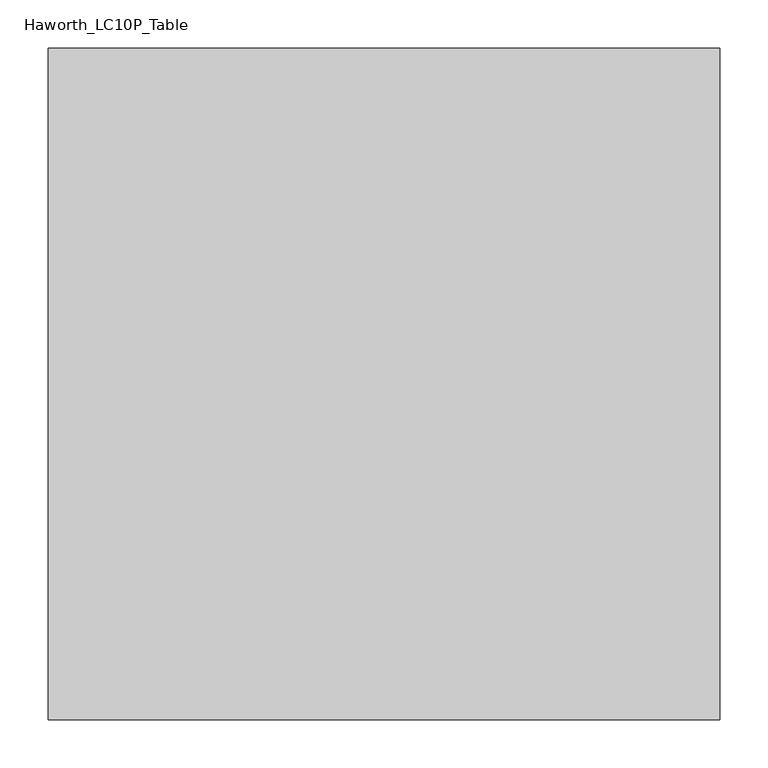
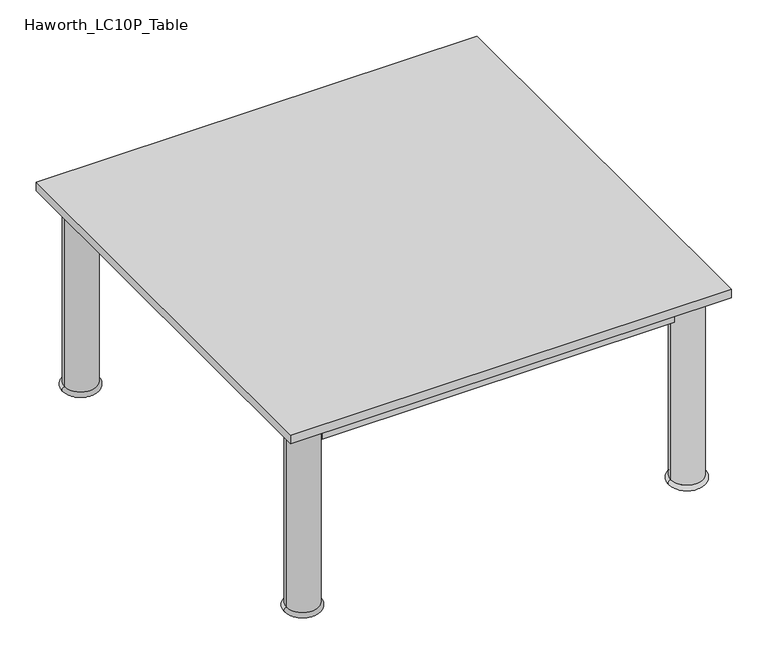
"""IFC4 building model written with IfcOpenShell, lengths in millimetres: furniture geometry, Haworth_LC10P_Table."""

from ifc_helpers import new_model, si_unit, point, frame, origin, place, context, project, spatial, polyline, circle_curve, ellipse_curve, trimmed, outline, extrude, source, transform, mapped, element, save
from ifc_brep_helpers import plane_surface, cylinder_surface, revolved_surface, advanced_brep


def haworth_lc10p_table_e52e0965(model_context):
    return source(origin(), model_context, "Body", "SolidModel", [
        extrude(outline(polyline([(279.4, -299.3049408), (279.4, -318.3549408), (-279.4, -318.3549408), (-279.4, -299.3049408), (279.4, -299.3049408)])), frame((0.0, 0.0, 277.8125), z_axis=(0.0, 0.0, 1.0), x_axis=(1.0, 0.0, 0.0)), (0.0, 0.0, 1.0), 33.3375),
        extrude(outline(polyline([(279.4, 310.2950592), (279.4, 291.2450592), (-279.4, 291.2450592), (-279.4, 310.2950592), (279.4, 310.2950592)])), frame((0.0, 0.0, 277.8125), z_axis=(0.0, 0.0, 1.0), x_axis=(1.0, 0.0, 0.0)), (0.0, 0.0, 1.0), 33.3375),
        extrude(outline(polyline([(-295.275, 275.3700592), (-295.275, -283.4299408), (-314.325, -283.4299408), (-314.325, 275.3700592), (-295.275, 275.3700592)])), frame((0.0, 0.0, 277.8125), z_axis=(0.0, 0.0, 1.0), x_axis=(1.0, 0.0, 0.0)), (0.0, 0.0, 1.0), 33.3375),
        extrude(outline(polyline([(314.325, 275.3700592), (314.325, -283.4299408), (295.275, -283.4299408), (295.275, 275.3700592), (314.325, 275.3700592)])), frame((0.0, 0.0, 277.8125), z_axis=(0.0, 0.0, 1.0), x_axis=(1.0, 0.0, 0.0)), (0.0, 0.0, 1.0), 33.3375),
        advanced_brep(
        [(279.4, 300.7700592, 0.0), (330.2, 300.7700592, 0.0), (330.2, 300.7700592, 7.9375), (279.4, 300.7700592, 7.9375), (330.2, 300.7700592, 311.15), (279.4, 300.7700592, 311.15), (330.2, 300.7700592, 315.9125), (279.4, 300.7700592, 315.9125), (304.8, 300.7700592, 315.9125), (304.8, 300.7700592, 0.0)],
        [
            (0, 1, circle_curve(frame((304.8, 300.7700592, 0.0), z_axis=(0.0, 0.0, 1.0), x_axis=(1.0, 0.0, 0.0)), 25.4)),
            (1, 2, circle_curve(frame((330.2, 300.7700592, 3.96875), z_axis=(0.0, -1.0, 0.0), x_axis=(-1.0, 0.0, 0.0)), 3.96875)),
            (2, 3, circle_curve(frame((304.8, 300.7700592, 7.9375), z_axis=(0.0, 0.0, -1.0), x_axis=(1.0, 0.0, 0.0)), 25.4)),
            (3, 0, circle_curve(frame((279.4, 300.7700592, 3.96875), z_axis=(0.0, -1.0, 0.0), x_axis=(1.0, 0.0, 0.0)), 3.96875)),
            (1, 0, circle_curve(frame((304.8, 300.7700592, 0.0), z_axis=(0.0, 0.0, 1.0), x_axis=(1.0, 0.0, 0.0)), 25.4)),
            (3, 2, circle_curve(frame((304.8, 300.7700592, 7.9375), z_axis=(0.0, 0.0, -1.0), x_axis=(1.0, 0.0, 0.0)), 25.4)),
            (2, 4),
            (4, 5, circle_curve(frame((304.8, 300.7700592, 311.15), z_axis=(0.0, 0.0, -1.0), x_axis=(1.0, 0.0, 0.0)), 25.4)),
            (5, 3),
            (5, 4, circle_curve(frame((304.8, 300.7700592, 311.15), z_axis=(0.0, 0.0, -1.0), x_axis=(1.0, 0.0, 0.0)), 25.4)),
            (4, 6),
            (6, 7, circle_curve(frame((304.8, 300.7700592, 315.9125), z_axis=(0.0, 0.0, -1.0), x_axis=(1.0, 0.0, 0.0)), 25.4)),
            (7, 5),
            (7, 6, circle_curve(frame((304.8, 300.7700592, 315.9125), z_axis=(0.0, 0.0, -1.0), x_axis=(1.0, 0.0, 0.0)), 25.4)),
            (6, 8),
            (8, 7),
            (9, 1),
            (0, 9),
        ],
        [
            revolved_surface(trimmed(ellipse_curve(frame((330.2, 300.7700592, 3.96875), z_axis=(0.0, 1.0, 0.0), x_axis=(-1.0, 0.0, 0.0)), 3.96875, 3.96875), [point((330.2, 300.7700592, 7.9375))], [point((330.2, 300.7700592, 0.0))], True, "CARTESIAN"), (304.8, 300.7700592, 2070.1), (0.0, 0.0, -1.0)),
            cylinder_surface(frame((304.8, 300.7700592, 2070.1), z_axis=(0.0, 0.0, -1.0), x_axis=(1.0, 0.0, 0.0)), 25.4),
            plane_surface(frame((304.8, 300.7700592, 315.9125), z_axis=(0.0, 0.0, 1.0), x_axis=(1.0, 0.0, 0.0))),
            plane_surface(frame((304.8, 300.7700592, 0.0), z_axis=(0.0, 0.0, -1.0), x_axis=(1.0, 0.0, 0.0))),
        ],
        [
            (0, [[1, 2, 3, 4]]),
            (0, [[5, -4, 6, -2]]),
            (1, [[-3, 7, 8, 9]]),
            (1, [[-6, -9, 10, -7]]),
            (1, [[-8, 11, 12, 13]]),
            (1, [[-10, -13, 14, -11]]),
            (2, [[-12, 15, 16]]),
            (2, [[-14, -16, -15]]),
            (3, [[17, -1, 18]]),
            (3, [[-18, -5, -17]]),
        ],
    ),
        advanced_brep(
        [(-279.4, 300.7700592, 7.9375), (-330.2, 300.7700592, 7.9375), (-330.2, 300.7700592, 0.0), (-279.4, 300.7700592, 0.0), (-279.4, 300.7700592, 311.15), (-330.2, 300.7700592, 311.15), (-279.4, 300.7700592, 315.9125), (-330.2, 300.7700592, 315.9125), (-304.8, 300.7700592, 315.9125), (-304.8, 300.7700592, 0.0)],
        [
            (0, 1, circle_curve(frame((-304.8, 300.7700592, 7.9375), z_axis=(0.0, 0.0, -1.0), x_axis=(-1.0, 0.0, 0.0)), 25.4)),
            (1, 2, circle_curve(frame((-330.2, 300.7700592, 3.96875), z_axis=(0.0, -1.0, 0.0), x_axis=(-1.0, 0.0, 0.0)), 3.96875)),
            (2, 3, circle_curve(frame((-304.8, 300.7700592, 0.0), z_axis=(0.0, 0.0, 1.0), x_axis=(-1.0, 0.0, 0.0)), 25.4)),
            (3, 0, circle_curve(frame((-279.4, 300.7700592, 3.96875), z_axis=(0.0, -1.0, 0.0), x_axis=(1.0, 0.0, 0.0)), 3.96875)),
            (1, 0, circle_curve(frame((-304.8, 300.7700592, 7.9375), z_axis=(0.0, 0.0, -1.0), x_axis=(-1.0, 0.0, 0.0)), 25.4)),
            (3, 2, circle_curve(frame((-304.8, 300.7700592, 0.0), z_axis=(0.0, 0.0, 1.0), x_axis=(-1.0, 0.0, 0.0)), 25.4)),
            (4, 5, circle_curve(frame((-304.8, 300.7700592, 311.15), z_axis=(0.0, 0.0, -1.0), x_axis=(-1.0, 0.0, 0.0)), 25.4)),
            (5, 1),
            (0, 4),
            (5, 4, circle_curve(frame((-304.8, 300.7700592, 311.15), z_axis=(0.0, 0.0, -1.0), x_axis=(-1.0, 0.0, 0.0)), 25.4)),
            (6, 7, circle_curve(frame((-304.8, 300.7700592, 315.9125), z_axis=(0.0, 0.0, -1.0), x_axis=(-1.0, 0.0, 0.0)), 25.4)),
            (7, 5),
            (4, 6),
            (7, 6, circle_curve(frame((-304.8, 300.7700592, 315.9125), z_axis=(0.0, 0.0, -1.0), x_axis=(-1.0, 0.0, 0.0)), 25.4)),
            (8, 7),
            (6, 8),
            (2, 9),
            (9, 3),
        ],
        [
            revolved_surface(trimmed(ellipse_curve(frame((-330.2, 300.7700592, 3.96875), z_axis=(0.0, 1.0, 0.0), x_axis=(-1.0, 0.0, 0.0)), 3.96875, 3.96875), [point((-330.2, 300.7700592, 0.0))], [point((-330.2, 300.7700592, 7.9375))], True, "CARTESIAN"), (-304.8, 300.7700592, 2070.1), (0.0, 0.0, 1.0)),
            cylinder_surface(frame((-304.8, 300.7700592, 2070.1), z_axis=(0.0, 0.0, 1.0), x_axis=(-1.0, 0.0, 0.0)), 25.4),
            plane_surface(frame((-304.8, 300.7700592, 315.9125), z_axis=(0.0, 0.0, 1.0), x_axis=(-1.0, 0.0, 0.0))),
            plane_surface(frame((-304.8, 300.7700592, 0.0), z_axis=(0.0, 0.0, -1.0), x_axis=(-1.0, 0.0, 0.0))),
        ],
        [
            (0, [[1, 2, 3, 4]]),
            (0, [[5, -4, 6, -2]]),
            (1, [[7, 8, -1, 9]]),
            (1, [[10, -9, -5, -8]]),
            (1, [[11, 12, -7, 13]]),
            (1, [[14, -13, -10, -12]]),
            (2, [[15, -11, 16]]),
            (2, [[-16, -14, -15]]),
            (3, [[-3, 17, 18]]),
            (3, [[-6, -18, -17]]),
        ],
    ),
        advanced_brep(
        [(279.1457141, -308.8299408, 0.0), (330.4542859, -308.8299408, 0.0), (330.2, -308.8299408, 7.9293453), (279.4, -308.8299408, 7.9293453), (330.2, -308.8299408, 311.15), (279.4, -308.8299408, 311.15), (330.2, -308.8299408, 315.9125), (279.4, -308.8299408, 315.9125), (304.8, -308.8299408, 315.9125), (304.8, -308.8299408, 0.0)],
        [
            (0, 1, circle_curve(frame((304.8, -308.8299408, 0.0), z_axis=(0.0, 0.0, 1.0), x_axis=(1.0, 0.0, 0.0)), 25.6542859)),
            (1, 2, circle_curve(frame((330.4542859, -308.8299408, 3.96875), z_axis=(0.0, -1.0, 0.0), x_axis=(1.0, 0.0, 0.0)), 3.96875)),
            (2, 3, circle_curve(frame((304.8, -308.8299408, 7.9293453), z_axis=(0.0, 0.0, -1.0), x_axis=(1.0, 0.0, 0.0)), 25.4)),
            (3, 0, circle_curve(frame((279.1457141, -308.8299408, 3.96875), z_axis=(0.0, -1.0, 0.0), x_axis=(-1.0, 0.0, 0.0)), 3.96875)),
            (1, 0, circle_curve(frame((304.8, -308.8299408, 0.0), z_axis=(0.0, 0.0, 1.0), x_axis=(1.0, 0.0, 0.0)), 25.6542859)),
            (3, 2, circle_curve(frame((304.8, -308.8299408, 7.9293453), z_axis=(0.0, 0.0, -1.0), x_axis=(1.0, 0.0, 0.0)), 25.4)),
            (2, 4),
            (4, 5, circle_curve(frame((304.8, -308.8299408, 311.15), z_axis=(0.0, 0.0, -1.0), x_axis=(1.0, 0.0, 0.0)), 25.4)),
            (5, 3),
            (5, 4, circle_curve(frame((304.8, -308.8299408, 311.15), z_axis=(0.0, 0.0, -1.0), x_axis=(1.0, 0.0, 0.0)), 25.4)),
            (4, 6),
            (6, 7, circle_curve(frame((304.8, -308.8299408, 315.9125), z_axis=(0.0, 0.0, -1.0), x_axis=(1.0, 0.0, 0.0)), 25.4)),
            (7, 5),
            (7, 6, circle_curve(frame((304.8, -308.8299408, 315.9125), z_axis=(0.0, 0.0, -1.0), x_axis=(1.0, 0.0, 0.0)), 25.4)),
            (6, 8),
            (8, 7),
            (9, 1),
            (0, 9),
        ],
        [
            revolved_surface(trimmed(ellipse_curve(frame((330.4542859, -308.8299408, 3.96875), z_axis=(0.0, 1.0, 0.0), x_axis=(1.0, 0.0, 0.0)), 3.96875, 3.96875), [point((330.2, -308.8299408, 7.9293453))], [point((330.4542859, -308.8299408, 0.0))], True, "CARTESIAN"), (304.8, -308.8299408, 2070.1), (0.0, 0.0, -1.0)),
            cylinder_surface(frame((304.8, -308.8299408, 2070.1), z_axis=(0.0, 0.0, -1.0), x_axis=(1.0, 0.0, 0.0)), 25.4),
            plane_surface(frame((304.8, -308.8299408, 315.9125), z_axis=(0.0, 0.0, 1.0), x_axis=(1.0, 0.0, 0.0))),
            plane_surface(frame((304.8, -308.8299408, 0.0), z_axis=(0.0, 0.0, -1.0), x_axis=(1.0, 0.0, 0.0))),
        ],
        [
            (0, [[1, 2, 3, 4]]),
            (0, [[5, -4, 6, -2]]),
            (1, [[-3, 7, 8, 9]]),
            (1, [[-6, -9, 10, -7]]),
            (1, [[-8, 11, 12, 13]]),
            (1, [[-10, -13, 14, -11]]),
            (2, [[-12, 15, 16]]),
            (2, [[-14, -16, -15]]),
            (3, [[17, -1, 18]]),
            (3, [[-18, -5, -17]]),
        ],
    ),
        advanced_brep(
        [(-279.4, -308.8299408, 7.9375), (-330.2, -308.8299408, 7.9375), (-330.2, -308.8299408, 0.0), (-279.4, -308.8299408, 0.0), (-279.4, -308.8299408, 311.15), (-330.2, -308.8299408, 311.15), (-279.4, -308.8299408, 315.9125), (-330.2, -308.8299408, 315.9125), (-304.8, -308.8299408, 315.9125), (-304.8, -308.8299408, 0.0)],
        [
            (0, 1, circle_curve(frame((-304.8, -308.8299408, 7.9375), z_axis=(0.0, 0.0, -1.0), x_axis=(-1.0, 0.0, 0.0)), 25.4)),
            (1, 2, circle_curve(frame((-330.2, -308.8299408, 3.96875), z_axis=(0.0, -1.0, 0.0), x_axis=(-1.0, 0.0, 0.0)), 3.96875)),
            (2, 3, circle_curve(frame((-304.8, -308.8299408, 0.0), z_axis=(0.0, 0.0, 1.0), x_axis=(-1.0, 0.0, 0.0)), 25.4)),
            (3, 0, circle_curve(frame((-279.4, -308.8299408, 3.96875), z_axis=(0.0, -1.0, 0.0), x_axis=(1.0, 0.0, 0.0)), 3.96875)),
            (1, 0, circle_curve(frame((-304.8, -308.8299408, 7.9375), z_axis=(0.0, 0.0, -1.0), x_axis=(-1.0, 0.0, 0.0)), 25.4)),
            (3, 2, circle_curve(frame((-304.8, -308.8299408, 0.0), z_axis=(0.0, 0.0, 1.0), x_axis=(-1.0, 0.0, 0.0)), 25.4)),
            (4, 5, circle_curve(frame((-304.8, -308.8299408, 311.15), z_axis=(0.0, 0.0, -1.0), x_axis=(-1.0, 0.0, 0.0)), 25.4)),
            (5, 1),
            (0, 4),
            (5, 4, circle_curve(frame((-304.8, -308.8299408, 311.15), z_axis=(0.0, 0.0, -1.0), x_axis=(-1.0, 0.0, 0.0)), 25.4)),
            (6, 7, circle_curve(frame((-304.8, -308.8299408, 315.9125), z_axis=(0.0, 0.0, -1.0), x_axis=(-1.0, 0.0, 0.0)), 25.4)),
            (7, 5),
            (4, 6),
            (7, 6, circle_curve(frame((-304.8, -308.8299408, 315.9125), z_axis=(0.0, 0.0, -1.0), x_axis=(-1.0, 0.0, 0.0)), 25.4)),
            (8, 7),
            (6, 8),
            (2, 9),
            (9, 3),
        ],
        [
            revolved_surface(trimmed(ellipse_curve(frame((-330.2, -308.8299408, 3.96875), z_axis=(0.0, 1.0, 0.0), x_axis=(-1.0, 0.0, 0.0)), 3.96875, 3.96875), [point((-330.2, -308.8299408, 0.0))], [point((-330.2, -308.8299408, 7.9375))], True, "CARTESIAN"), (-304.8, -308.8299408, 2070.1), (0.0, 0.0, 1.0)),
            cylinder_surface(frame((-304.8, -308.8299408, 2070.1), z_axis=(0.0, 0.0, 1.0), x_axis=(-1.0, 0.0, 0.0)), 25.4),
            plane_surface(frame((-304.8, -308.8299408, 315.9125), z_axis=(0.0, 0.0, 1.0), x_axis=(-1.0, 0.0, 0.0))),
            plane_surface(frame((-304.8, -308.8299408, 0.0), z_axis=(0.0, 0.0, -1.0), x_axis=(-1.0, 0.0, 0.0))),
        ],
        [
            (0, [[1, 2, 3, 4]]),
            (0, [[5, -4, 6, -2]]),
            (1, [[7, 8, -1, 9]]),
            (1, [[10, -9, -5, -8]]),
            (1, [[11, 12, -7, 13]]),
            (1, [[14, -13, -10, -12]]),
            (2, [[15, -11, 16]]),
            (2, [[-16, -14, -15]]),
            (3, [[-3, 17, 18]]),
            (3, [[-6, -18, -17]]),
        ],
    ),
        extrude(outline(polyline([(349.25, 345.2200592), (349.25, -353.2799408), (-349.25, -353.2799408), (-349.25, 345.2200592), (349.25, 345.2200592)])), frame((0.0, 0.0, 315.9125), z_axis=(0.0, 0.0, 1.0), x_axis=(1.0, 0.0, 0.0)), (0.0, 0.0, 1.0), 14.2875),
    ])


if __name__ == "__main__":
    model = new_model("IFC4")
    model_context = context("Model", 3, world=origin())
    ifc_project = project(units=[si_unit("LENGTHUNIT", "METRE", prefix="MILLI")], contexts=[model_context])
    site = spatial("IfcSite", under=ifc_project)
    building = spatial("IfcBuilding", under=site)
    placement = place(None, origin())
    haworth_lc10p_table_shape = haworth_lc10p_table_e52e0965(model_context)
    element("IfcFurniture", 1, ObjectType="Haworth_LC10P_Table", at=placement, inside=building, context=model_context, shape_type="MappedRepresentation", body=[
        mapped(haworth_lc10p_table_shape, transform((0.0, 0.0, 0.0), x_axis=(1.0, 0.0, 0.0), y_axis=(0.0, 1.0, 0.0), z_axis=(0.0, 0.0, 1.0))),
    ])
    save(model, "model.ifc")
